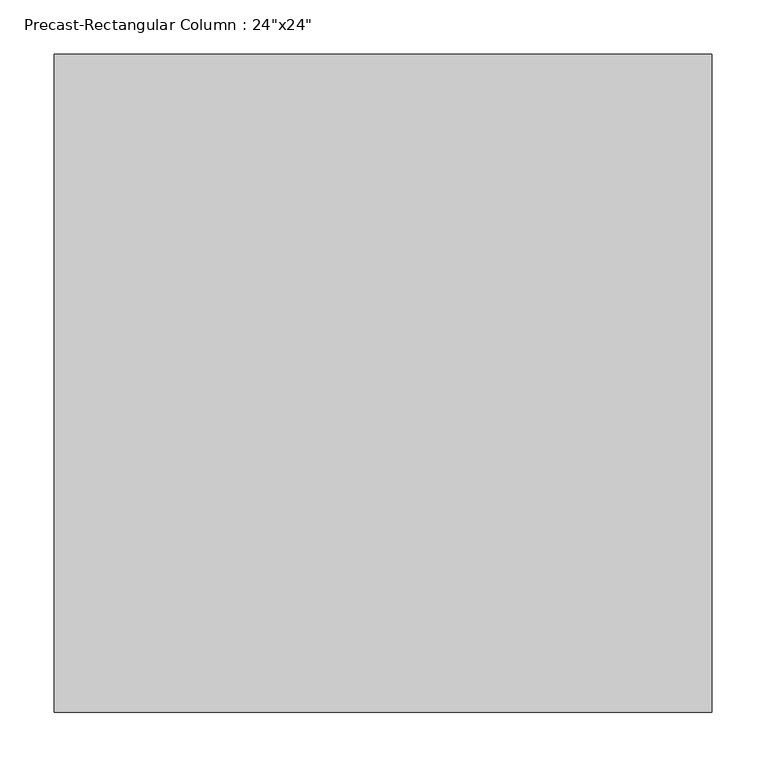
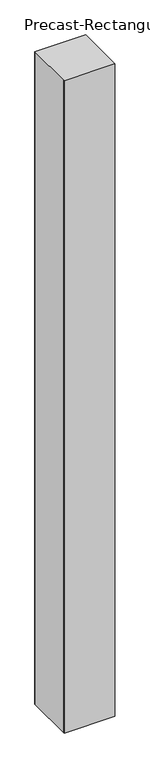
"""IFC4 building model written with IfcOpenShell, lengths in millimetres: column geometry."""

from ifc_helpers import new_model, si_unit, frame, origin, place, context, project, spatial, polyline, outline, extrude, source, transform, mapped, element, save


def column_17adf016(model_context):
    return source(origin(), model_context, "Body", "SweptSolid", [
        extrude(outline(polyline([(304.8, 304.8), (304.8, 294.8), (304.8, -294.8), (304.8, -304.8), (-304.8, -304.8), (-304.8, -294.8), (-304.8, 294.8), (-304.8, 304.8), (304.8, 304.8)])), frame((0.0, 0.0, -1219.2), z_axis=(0.0, 0.0, 1.0), x_axis=(1.0, 0.0, 0.0)), (0.0, 0.0, 1.0), 8301.5335938),
    ])


if __name__ == "__main__":
    model = new_model("IFC4")
    model_context = context("Model", 3, world=origin())
    ifc_project = project(units=[si_unit("LENGTHUNIT", "METRE", prefix="MILLI")], contexts=[model_context])
    site = spatial("IfcSite", under=ifc_project)
    building = spatial("IfcBuilding", under=site)
    placement = place(None, origin())
    column_shape = column_17adf016(model_context)
    element("IfcColumn", 1, ObjectType="Precast-Rectangular Column : 24\"x24\"", at=placement, inside=building, context=model_context, shape_type="MappedRepresentation", body=[
        mapped(column_shape, transform((0.0, 0.0, 0.0), x_axis=(1.0, 0.0, 0.0), y_axis=(0.0, 1.0, 0.0), z_axis=(0.0, 0.0, 1.0))),
    ])
    save(model, "model.ifc")
